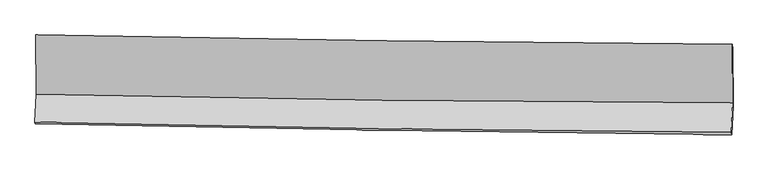
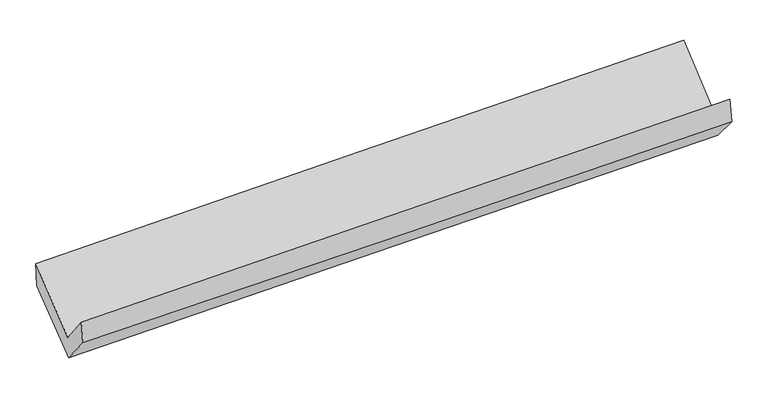
"""IFC4 building model written with IfcOpenShell, lengths in millimetres: proxy geometry."""

from ifc_helpers import new_model, si_unit, frame, origin, place, context, project, spatial, source, transform, mapped, element, save
from ifc_brep_helpers import plane_surface, spline_curve, spline_surface, advanced_brep


def generic_models_0943e361(model_context):
    return source(origin(), model_context, "Body", "AdvancedBrep", [
        advanced_brep(
        [(-3026.4398979, -1174.6424905, 2173.8582534), (-3023.8458933, -1689.4086131, 1749.8101064), (3014.391112, -1763.4415052, 1879.5575972), (3011.1088507, -1255.1815417, 2326.666253), (-3035.3844369, -1931.0521342, 2053.5419814), (3002.0857826, -2019.6637733, 2204.398667), (-3030.6145258, -1945.9742402, 1856.2061617), (3007.0806321, -2042.2716935, 1993.3920736), (-3018.8246749, -1693.2543992, 1549.4932787), (3018.32297, -1791.9619733, 1706.7528801), (-3020.9445119, -1181.1930285, 1953.1611176), (3016.2638025, -1292.7977648, 2099.9667867)],
        [
            (0, 1),
            (1, 2, spline_curve(3, [(-3023.8458933, -1689.4086131, 1749.8101064), (-2017.901905667, -1712.789045302, 1781.767322655), (-1011.747707348, -1730.64866332, 1808.558174664), (1000.997954323, -1755.326478988, 1851.807511054), (2007.589424319, -1762.144491161, 1868.265822737), (3014.391112, -1763.4415052, 1879.5575972)], [4, 2, 4], [0.0, 9.908346607165033, 19.81685904494833])),
            (2, 3),
            (3, 0, spline_curve(3, [(3011.1088507, -1255.1815417, 2326.666253), (2004.491769505, -1249.120746079, 2311.07623421), (998.049957665, -1239.378673646, 2290.547076832), (-1014.46628621, -1212.532200009, 2239.61091161), (-2020.540723737, -1195.427922102, 2209.204069039), (-3026.4398979, -1174.6424905, 2173.8582534)], [4, 2, 4], [0.0, 9.908512437783298, 19.81685904494833])),
            (1, 4),
            (4, 5, spline_curve(3, [(-3035.3844369, -1931.0521342, 2053.5419814), (-2029.427979204, -1953.299681119, 2085.715909909), (-1023.331443604, -1971.807727069, 2114.374188711), (989.15862504, -2001.345065504, 2164.659868488), (1995.552162338, -2012.374232133, 2186.287151322), (3002.0857826, -2019.6637733, 2204.398667)], [4, 2, 4], [0.0, 9.908300592573223, 19.81676701499459])),
            (5, 2),
            (4, 6),
            (6, 7, spline_curve(3, [(-3030.6145258, -1945.9742402, 1856.2061617), (-2024.345381934, -1965.65715825, 1877.658749008), (-1018.073757023, -1983.523353372, 1899.817100507), (994.491295486, -2015.622565039, 1945.545714357), (2000.784723373, -2029.855521464, 1969.115999984), (3007.0806321, -2042.2716935, 1993.3920736)], [4, 2, 4], [0.0, 9.90812235851919, 19.816410543903515])),
            (7, 5),
            (6, 8),
            (8, 9, spline_curve(3, [(-3018.8246749, -1693.2543992, 1549.4932787), (-2012.739942047, -1712.40389448, 1578.547944081), (-1006.606148976, -1730.204215833, 1606.180145782), (1005.776397913, -1763.106785701, 1658.600060476), (2012.025153001, -1778.20898912, 1683.38772596), (3018.32297, -1791.9619733, 1706.7528801)], [4, 2, 4], [0.0, 9.908071514102653, 19.81630885421949])),
            (9, 7),
            (8, 10),
            (10, 11, spline_curve(3, [(-3020.9445119, -1181.1930285, 1953.1611176), (-2014.849609916, -1201.90271338, 1980.839621187), (-1008.705676632, -1221.557881418, 2006.91258994), (1003.697093337, -1258.759495691, 2055.847866758), (2009.955931223, -1276.305906043, 2078.710121045), (3016.2638025, -1292.7977648, 2099.9667867)], [4, 2, 4], [0.0, 9.908083803530406, 19.816333433280676])),
            (11, 9),
            (10, 0),
            (3, 11),
        ],
        [
            spline_surface(3, 3, [[(-3026.4398979, -1174.6424905, 2173.8582534), (-2020.540723857, -1195.427921999, 2209.204069048), (-1014.466286105, -1212.532200028, 2239.610911622), (998.04995756, -1239.378673627, 2290.54707682), (2004.491769345, -1249.120746041, 2311.076234096), (3011.1088507, -1255.1815417, 2326.666253)], [(-3025.575229725, -1346.231198018, 2032.508871064), (-2019.661117805, -1367.881629697, 2066.725153613), (-1013.560093131, -1385.237687821, 2095.926665943), (999.032623109, -1411.361275391, 2144.300554924), (2005.524320937, -1420.128661154, 2163.472763688), (3012.20293777, -1424.601529552, 2177.630034399)], [(-3024.710561475, -1517.819905582, 1891.159488736), (-2018.781511677, -1540.335337441, 1924.246238186), (-1012.653900182, -1557.943175605, 1952.242420265), (1000.015288633, -1583.343877146, 1998.054033027), (2006.556872619, -1591.136576212, 2015.869293283), (3013.29702493, -1594.021517348, 2028.593815801)], [(-3023.8458933, -1689.4086131, 1749.8101064), (-2017.901905625, -1712.789045138, 1781.767322751), (-1011.747707208, -1730.648663398, 1808.558174586), (1000.997954183, -1755.32647891, 1851.807511131), (2007.589424212, -1762.144491325, 1868.265822875), (3014.391112, -1763.4415052, 1879.5575972)]], [4, 4], [4, 2, 4], [0.0, 2.2166072916171267], [0.0, 9.908346607165033, 19.81685904494833]),
            spline_surface(3, 3, [[(-3023.8458933, -1689.4086131, 1749.8101064), (-2017.901905625, -1712.789045138, 1781.767322751), (-1011.747707208, -1730.648663398, 1808.558174586), (1000.997954183, -1755.32647891, 1851.807511131), (2007.589424212, -1762.144491325, 1868.265822875), (3014.391112, -1763.4415052, 1879.5575972)], [(-3027.692074507, -1769.956453477, 1851.054064754), (-2021.743930165, -1792.959257112, 1883.083518479), (-1015.608952646, -1811.035018004, 1910.49684601), (997.051511108, -1837.33267441, 1956.091630219), (2003.577003616, -1845.554404962, 1974.272932349), (3010.289335537, -1848.848927886, 1987.8379538)], [(-3031.538255693, -1850.504293823, 1952.298023046), (-2025.585954686, -1873.129469055, 1984.399714144), (-1019.470198085, -1891.421372583, 2012.435517407), (993.105068033, -1919.338869883, 2060.37574928), (1999.56458301, -1928.964318642, 2080.280041823), (3006.187559063, -1934.256350614, 2096.1183104)], [(-3035.3844369, -1931.0521342, 2053.5419814), (-2029.427979226, -1953.299681028, 2085.715909872), (-1023.331443523, -1971.807727189, 2114.374188831), (989.158624959, -2001.345065384, 2164.659868367), (1995.552162414, -2012.374232279, 2186.287151296), (3002.0857826, -2019.6637733, 2204.398667)]], [4, 4], [4, 2, 4], [0.0, 1.2923359967393504], [0.0, 9.908300592573223, 19.81676701499459]),
            spline_surface(3, 3, [[(-3035.3844369, -1931.0521342, 2053.5419814), (-2029.427979226, -1953.299681028, 2085.715909872), (-1023.331443523, -1971.807727189, 2114.374188831), (989.158624959, -2001.345065384, 2164.659868367), (1995.552162414, -2012.374232279, 2186.287151296), (3002.0857826, -2019.6637733, 2204.398667)], [(-3033.794466513, -1936.026169521, 1987.763374824), (-2027.733780075, -1957.418840135, 2016.363522949), (-1021.57888137, -1975.712935881, 2042.855159422), (990.936181802, -2006.104231988, 2091.621816999), (1997.29634941, -2018.201328665, 2113.896767556), (3003.750732451, -2027.19974672, 2134.063135851)], [(-3032.204496187, -1941.000204879, 1921.984768276), (-2026.039580986, -1961.537999279, 1947.011136054), (-1019.826319197, -1979.618144548, 1971.336130012), (992.713738664, -2010.863398568, 2018.58376563), (1999.040536352, -2024.028424992, 2041.506383862), (3005.415682249, -2034.73572008, 2063.727604749)], [(-3030.6145258, -1945.9742402, 1856.2061617), (-2024.345381835, -1965.657158386, 1877.65874913), (-1018.073757044, -1983.52335324, 1899.817100602), (994.491295507, -2015.622565172, 1945.545714262), (2000.784723348, -2029.855521377, 1969.116000122), (3007.0806321, -2042.2716935, 1993.3920736)]], [4, 4], [4, 2, 4], [0.0, 0.7128915051879209], [0.0, 9.90812235851919, 19.816410543903515]),
            spline_surface(3, 3, [[(-3030.6145258, -1945.9742402, 1856.2061617), (-2024.345381835, -1965.657158386, 1877.65874913), (-1018.073757044, -1983.52335324, 1899.817100602), (994.491295507, -2015.622565172, 1945.545714262), (2000.784723348, -2029.855521377, 1969.116000122), (3007.0806321, -2042.2716935, 1993.3920736)], [(-3026.684575504, -1861.734293213, 1753.968534034), (-2020.476901888, -1881.239403782, 1777.955147436), (-1014.25122097, -1899.083640761, 1801.938115651), (998.252996279, -1931.450638667, 1849.897163002), (2004.531533209, -1945.973343939, 1873.873242066), (3010.828078048, -1958.835120086, 1897.845675772)], [(-3022.754625196, -1777.494346187, 1651.730906366), (-2016.60842193, -1796.82164914, 1678.251545738), (-1010.428684928, -1814.643928318, 1704.059130713), (1002.014697018, -1847.278712199, 1754.248611757), (2008.278343127, -1862.091166543, 1778.630483994), (3014.575524052, -1875.398546714, 1802.299277928)], [(-3018.8246749, -1693.2543992, 1549.4932787), (-2012.739941983, -1712.403894537, 1578.547944044), (-1006.606148854, -1730.20421584, 1606.180145761), (1005.77639779, -1763.106785694, 1658.600060497), (2012.025152989, -1778.208989104, 1683.387725937), (3018.32297, -1791.9619733, 1706.7528801)]], [4, 4], [4, 2, 4], [0.0, 1.2637225786566815], [0.0, 9.908071514102653, 19.81630885421949]),
            spline_surface(3, 3, [[(-3018.8246749, -1693.2543992, 1549.4932787), (-2012.739941983, -1712.403894537, 1578.547944044), (-1006.606148854, -1730.20421584, 1606.180145761), (1005.77639779, -1763.106785694, 1658.600060497), (2012.025152989, -1778.208989104, 1683.387725937), (3018.32297, -1791.9619733, 1706.7528801)], [(-3019.53128722, -1522.567275631, 1684.049224995), (-2013.443164643, -1542.236834145, 1712.645169789), (-1007.305991435, -1560.655437724, 1739.757627166), (1005.083296261, -1594.991022318, 1791.01599592), (2011.335412433, -1610.907961479, 1815.161857676), (3017.636580835, -1625.573903812, 1837.824182323)], [(-3020.23789958, -1351.880152069, 1818.605171305), (-2014.146387344, -1372.069773761, 1846.742395549), (-1008.005833966, -1391.106659634, 1873.335108549), (1004.390194782, -1426.875258967, 1923.431931322), (2010.645671871, -1443.606933817, 1946.935989348), (3016.950191665, -1459.185834288, 1968.895484477)], [(-3020.9445119, -1181.1930285, 1953.1611176), (-2014.849610004, -1201.902713369, 1980.839621293), (-1008.705676547, -1221.557881518, 2006.912589953), (1003.697093252, -1258.759495591, 2055.847866745), (2009.955931314, -1276.305906193, 2078.710121087), (3016.2638025, -1292.7977648, 2099.9667867)]], [4, 4], [4, 2, 4], [0.0, 2.115407731445187], [0.0, 9.908083803530406, 19.816333433280676]),
            spline_surface(3, 3, [[(-3020.9445119, -1181.1930285, 1953.1611176), (-2014.849610004, -1201.902713369, 1980.839621293), (-1008.705676547, -1221.557881518, 2006.912589953), (1003.697093252, -1258.759495591, 2055.847866745), (2009.955931314, -1276.305906193, 2078.710121087), (3016.2638025, -1292.7977648, 2099.9667867)], [(-3022.776307232, -1179.00951584, 2026.726829528), (-2016.746647954, -1199.744449587, 2056.961103873), (-1010.62587973, -1218.549321022, 2084.478697164), (1001.814714692, -1252.299221603, 2134.080936758), (2008.134544017, -1267.24418612, 2156.165492078), (3014.545485259, -1280.259023745, 2175.533275455)], [(-3024.608102568, -1176.82600316, 2100.292541472), (-2018.643685907, -1197.586185782, 2133.082586468), (-1012.546082922, -1215.540760524, 2162.044804411), (999.932336121, -1245.838947615, 2212.314006807), (2006.313156642, -1258.182466113, 2233.620863105), (3012.827167941, -1267.720282755, 2251.099764245)], [(-3026.4398979, -1174.6424905, 2173.8582534), (-2020.540723857, -1195.427921999, 2209.204069048), (-1014.466286105, -1212.532200028, 2239.610911622), (998.04995756, -1239.378673627, 2290.54707682), (2004.491769345, -1249.120746041, 2311.076234096), (3011.1088507, -1255.1815417, 2326.666253)]], [4, 4], [4, 2, 4], [0.0, 0.7683709519871469], [0.0, 9.908149290334519, 19.816464407984917]),
            plane_surface(frame((3011.5421916, -1694.2197086, 2035.1223763), z_axis=(0.999552681039572, -0.015853450146568474, 0.025359533612706202), x_axis=(-0.003240528693408541, 0.7855387893284727, 0.618803934565824))),
            plane_surface(frame((-3026.0089901, -1602.5874843, 1889.3451499), z_axis=(-0.9995526810395647, 0.0158534501469423, -0.025359533612763628), x_axis=(0.024881457422546657, -0.029658868716061413, -0.9992503513049238))),
        ],
        [
            (0, [[1, 2, 3, 4]]),
            (1, [[5, 6, 7, -2]]),
            (2, [[8, 9, 10, -6]]),
            (3, [[11, 12, 13, -9]]),
            (4, [[14, 15, 16, -12]]),
            (5, [[17, -4, 18, -15]]),
            (6, [[-16, -18, -3, -7, -10, -13]]),
            (7, [[-17, -14, -11, -8, -5, -1]]),
        ],
    ),
    ])


if __name__ == "__main__":
    model = new_model("IFC4")
    model_context = context("Model", 3, world=origin())
    ifc_project = project(units=[si_unit("LENGTHUNIT", "METRE", prefix="MILLI")], contexts=[model_context])
    site = spatial("IfcSite", under=ifc_project)
    building = spatial("IfcBuilding", under=site)
    placement = place(None, origin())
    generic_models_shape = generic_models_0943e361(model_context)
    element("IfcBuildingElementProxy", 1, Name="Generic Models", at=placement, inside=building, context=model_context, shape_type="MappedRepresentation", body=[
        mapped(generic_models_shape, transform((0.0, 0.0, 0.0), x_axis=(1.0, 0.0, 0.0), y_axis=(0.0, 1.0, 0.0), z_axis=(0.0, 0.0, 1.0))),
    ])
    save(model, "model.ifc")
